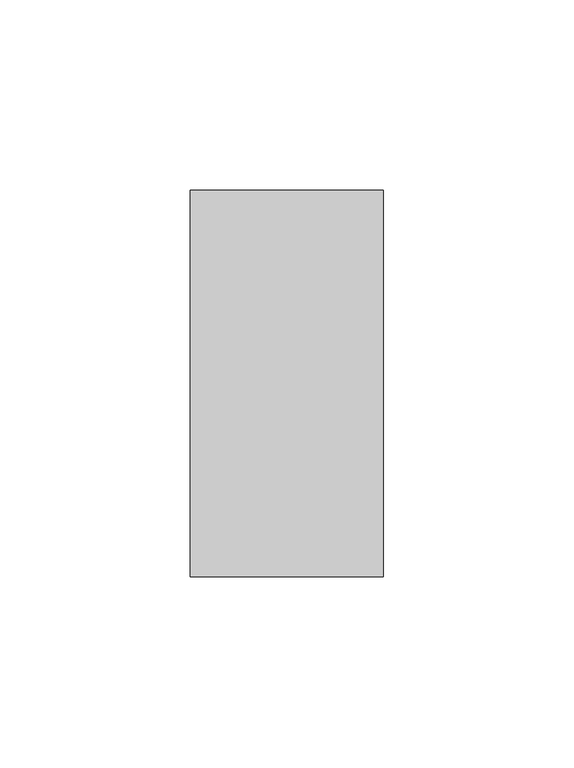
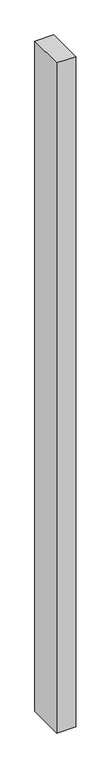
"""IFC4 building model written with IfcOpenShell, lengths in millimetres: proxy geometry."""

import ifcopenshell
import ifcopenshell.guid

model = None  # the IFC model being written
_history = None  # IfcOwnerHistory: only IFC2X3 demands one
_inside = {}  # id of a spatial element -> (the spatial element, [elements in it])
_under = {}  # id of a project, library or spatial element -> (it, [spatial elements below it])
_declared = {}  # id of a project -> (the project, [libraries it declares])
_typed = {}  # id of a type object -> (the type object, [elements of that type])
_made_of = {}  # id of a material, layer set ... -> (it, [elements and type objects made of it])


def new_model(schema):
    """Start an empty IFC model of exactly this schema.

    Asked for "IFC4X3", IfcOpenShell would pick the latest addendum, in which some entities
    have other attributes; the version numbers below select the first issue.
    IFC2X3 requires an IfcOwnerHistory on every rooted entity: one is made here for all.
    """
    global model, _history
    if schema == "IFC4X3":
        model = ifcopenshell.file(schema_version=(4, 3, 0, 0))
    else:
        model = ifcopenshell.file(schema=schema)
    _inside.clear()
    _under.clear()
    _declared.clear()
    _typed.clear()
    _made_of.clear()
    _history = None
    if model.schema == "IFC2X3":
        org = make("IfcOrganization", Name="unknown")
        user = make(
            "IfcPersonAndOrganization",
            ThePerson=make("IfcPerson", FamilyName="unknown"),
            TheOrganization=org,
        )
        app = make(
            "IfcApplication",
            ApplicationDeveloper=org,
            Version="unknown",
            ApplicationFullName="unknown",
            ApplicationIdentifier="unknown",
        )
        _history = make(
            "IfcOwnerHistory",
            OwningUser=user,
            OwningApplication=app,
            ChangeAction="ADDED",
            CreationDate=0,
        )
    return model


def make(cls, **values):
    """One entity of the class cls with the attributes given. An attribute that is None is left unset."""
    return model.create_entity(
        cls, **{name: value for name, value in values.items() if value is not None}
    )


def rooted(cls, **values):
    """An entity with a GlobalId (a new one), such as an element, a storey or a relation."""
    return make(cls, GlobalId=ifcopenshell.guid.new(), OwnerHistory=_history, **values)


def si_unit(unit_type, name, prefix=None):
    """IfcSIUnit, for example si_unit("LENGTHUNIT", "METRE", prefix="MILLI")."""
    return make("IfcSIUnit", UnitType=unit_type, Prefix=prefix, Name=name)


def assignment(units):
    """IfcUnitAssignment: the units of a project."""
    return None if units is None else make("IfcUnitAssignment", Units=units)


def point(xyz):
    """IfcCartesianPoint."""
    return None if xyz is None else make("IfcCartesianPoint", Coordinates=xyz)


def direction(xyz):
    """IfcDirection."""
    return None if xyz is None else make("IfcDirection", DirectionRatios=xyz)


def frame(location, z_axis=None, x_axis=None):
    """IfcAxis2Placement3D, a coordinate frame: its origin and axes. An axis left out is left unset."""
    return make(
        "IfcAxis2Placement3D",
        Location=point(location),
        Axis=direction(z_axis),
        RefDirection=direction(x_axis),
    )


def origin():
    """The frame at (0, 0, 0) with its axes left unset."""
    return frame((0.0, 0.0, 0.0))


def origin_with_axes():
    """The frame at (0, 0, 0) with the z axis (0, 0, 1) and the x axis (1, 0, 0) written out."""
    return frame((0.0, 0.0, 0.0), z_axis=(0.0, 0.0, 1.0), x_axis=(1.0, 0.0, 0.0))


def place(relative_to, where):
    """IfcLocalPlacement: puts the frame where relative to a parent placement (None: the world)."""
    return make(
        "IfcLocalPlacement", PlacementRelTo=relative_to, RelativePlacement=where
    )


def context(
    kind, dimensions, precision=None, world=None, true_north=None, identifier=None
):
    """IfcGeometricRepresentationContext, for example the 3D "Model" context."""
    return make(
        "IfcGeometricRepresentationContext",
        ContextIdentifier=identifier,
        ContextType=kind,
        CoordinateSpaceDimension=dimensions,
        Precision=precision,
        WorldCoordinateSystem=world,
        TrueNorth=true_north,
    )


def project(units=None, contexts=None):
    """IfcProject with its units and contexts."""
    return rooted(
        "IfcProject",
        Name="project",
        RepresentationContexts=contexts,
        UnitsInContext=assignment(units),
    )


def spatial(cls, under=None, at=None, **own):
    """A site, building, storey or space (cls), placed at a placement, below another one or the project."""
    s = rooted(cls, ObjectPlacement=at, **own)
    if under is not None:
        _under.setdefault(under.id(), (under, []))[1].append(s)
    return s


def polyline(points):
    """IfcPolyline through the points."""
    return make("IfcPolyline", Points=[point(p) for p in points])


def outline(outer, holes=None, kind="AREA"):
    """IfcArbitraryClosedProfileDef: a profile drawn as a closed curve; with holes, ...WithVoids."""
    if holes is None:
        return make("IfcArbitraryClosedProfileDef", ProfileType=kind, OuterCurve=outer)
    return make(
        "IfcArbitraryProfileDefWithVoids",
        ProfileType=kind,
        OuterCurve=outer,
        InnerCurves=holes,
    )


def extrude(swept, where, along, depth):
    """IfcExtrudedAreaSolid: the profile swept, set in the frame where, extruded along a direction by depth."""
    return make(
        "IfcExtrudedAreaSolid",
        SweptArea=swept,
        Position=where,
        ExtrudedDirection=direction(along),
        Depth=depth,
    )


def shape(context_of_items, identifier, shape_type, items):
    """IfcShapeRepresentation: the items that make up one representation, for example the "Body"."""
    return make(
        "IfcShapeRepresentation",
        ContextOfItems=context_of_items,
        RepresentationIdentifier=identifier,
        RepresentationType=shape_type,
        Items=items,
    )


def source(mapping_origin, context_of_items, identifier, shape_type, items):
    """IfcRepresentationMap: a shape defined once, which mapped items show again and again."""
    return make(
        "IfcRepresentationMap",
        MappingOrigin=mapping_origin,
        MappedRepresentation=shape(context_of_items, identifier, shape_type, items),
    )


def transform(
    local_origin,
    x_axis=None,
    y_axis=None,
    z_axis=None,
    scale=None,
    scale2=None,
    scale3=None,
    uniform=True,
):
    """IfcCartesianTransformationOperator3D, or its non-uniform kind. x_axis, y_axis, z_axis: its Axis1, 2, 3."""
    if uniform:
        return make(
            "IfcCartesianTransformationOperator3D",
            Axis1=direction(x_axis),
            Axis2=direction(y_axis),
            LocalOrigin=point(local_origin),
            Scale=scale,
            Axis3=direction(z_axis),
        )
    return make(
        "IfcCartesianTransformationOperator3DnonUniform",
        Axis1=direction(x_axis),
        Axis2=direction(y_axis),
        LocalOrigin=point(local_origin),
        Scale=scale,
        Axis3=direction(z_axis),
        Scale2=scale2,
        Scale3=scale3,
    )


def mapped(mapping_source, mapping_target):
    """IfcMappedItem: shows the shape of a source again, moved by a transform."""
    return make(
        "IfcMappedItem", MappingSource=mapping_source, MappingTarget=mapping_target
    )


def made_of(thing, what):
    """Note that an element or type object is made of a material, layer set ...; save() writes the relation."""
    if what is not None:
        _made_of.setdefault(what.id(), (what, []))[1].append(thing)
    return thing


def element(
    cls,
    number,
    at=None,
    inside=None,
    cuts=None,
    type_object=None,
    material=None,
    context=None,
    identifier="Body",
    shape_type=None,
    held_by="IfcProductDefinitionShape",
    body=None,
    shapes=None,
    **own,
):
    """One element of the class cls, such as IfcWall. Its Tag is "e" and its number.

    at: its placement. inside: the storey or other place that contains it. cuts: it is an
    opening in that element (IfcRelVoidsElement). A single representation is given by context,
    identifier, shape_type and body (its items); several are given by shapes. held_by: the class
    of the entity that holds the representations. save() writes the other relations.
    """
    e = rooted(cls, Tag="e%d" % number, ObjectPlacement=at, **own)
    if body is not None:
        shapes = [shape(context, identifier, shape_type, body)]
    if shapes is not None:
        e.Representation = make(held_by, Representations=shapes)
    if inside is not None:
        _inside.setdefault(inside.id(), (inside, []))[1].append(e)
    if cuts is not None:
        rooted(
            "IfcRelVoidsElement", RelatingBuildingElement=cuts, RelatedOpeningElement=e
        )
    if type_object is not None:
        _typed.setdefault(type_object.id(), (type_object, []))[1].append(e)
    return made_of(e, material)


def aggregate(whole, parts):
    """IfcRelAggregates: a whole, such as a stair, and the parts it consists of."""
    return rooted("IfcRelAggregates", RelatingObject=whole, RelatedObjects=parts)


def save(model, path):
    """Write the relations noted so far, then the file.

    IfcRelAggregates (storeys below a building ...), IfcRelContainedInSpatialStructure (elements
    in a storey), IfcRelDefinesByType, IfcRelAssociatesMaterial and IfcRelDeclares: one each for
    every whole, place, type object, material and project.
    """
    for whole, parts in _under.values():
        aggregate(whole, parts)
    for where, things in _inside.values():
        rooted(
            "IfcRelContainedInSpatialStructure",
            RelatedElements=things,
            RelatingStructure=where,
        )
    for kind, things in _typed.values():
        rooted("IfcRelDefinesByType", RelatedObjects=things, RelatingType=kind)
    for what, things in _made_of.values():
        rooted("IfcRelAssociatesMaterial", RelatedObjects=things, RelatingMaterial=what)
    for by, libraries in _declared.values():
        rooted("IfcRelDeclares", RelatingContext=by, RelatedDefinitions=libraries)
    model.write(path)


def generic_models_8b7b1081(model_context):
    return source(origin(), model_context, "Body", "SweptSolid", [
        extrude(outline(polyline([(50.8, 0.0), (0.0, 0.0), (0.0, 101.6), (50.8, 101.6), (50.8, 0.0)])), origin_with_axes(), (0.0, 0.0, 1.0), 1900.0),
    ])


if __name__ == "__main__":
    model = new_model("IFC4")
    model_context = context("Model", 3, world=origin())
    ifc_project = project(units=[si_unit("LENGTHUNIT", "METRE", prefix="MILLI")], contexts=[model_context])
    site = spatial("IfcSite", under=ifc_project)
    building = spatial("IfcBuilding", under=site)
    placement = place(None, origin())
    generic_models_shape = generic_models_8b7b1081(model_context)
    element("IfcBuildingElementProxy", 1, Name="Generic Models", at=placement, inside=building, context=model_context, shape_type="MappedRepresentation", body=[
        mapped(generic_models_shape, transform((0.0, 0.0, 0.0), x_axis=(1.0, 0.0, 0.0), y_axis=(0.0, 1.0, 0.0), z_axis=(0.0, 0.0, 1.0))),
    ])
    save(model, "model.ifc")
